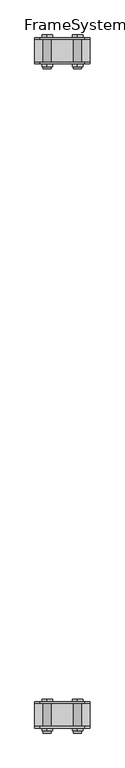
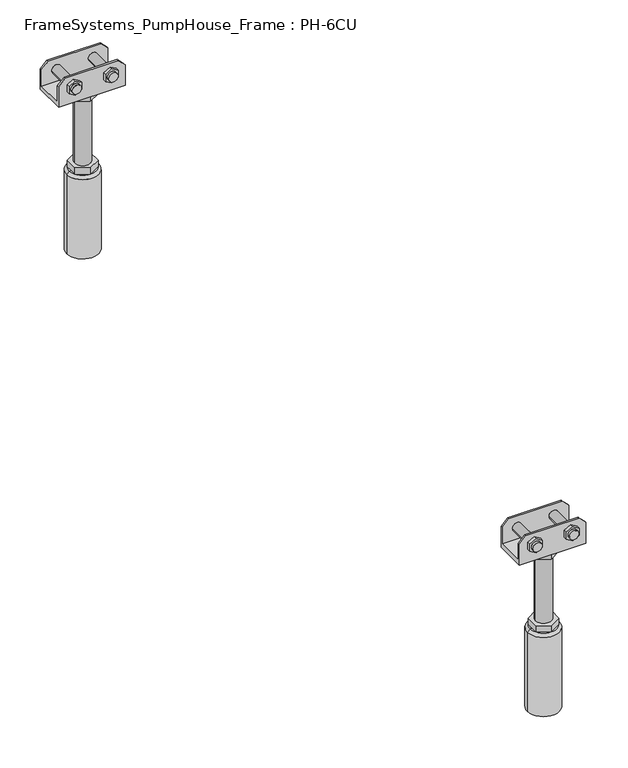
"""IFC4 building model written with IfcOpenShell, lengths in millimetres: beam geometry, FrameSystems_PumpHouse_Frame : PH-6CU."""

from ifc_helpers import new_model, si_unit, frame, origin, place, context, project, spatial, polyline, circle_curve, source, transform, mapped, element, save
from ifc_brep_helpers import plane_surface, cylinder_surface, revolved_surface, advanced_brep


def framesystems_pumphouse_frame_ph_6cu_9db55b4e(model_context):
    return source(origin(), model_context, "Body", "AdvancedBrep", [
        advanced_brep(
        [(1240.0, 1179.25, 316.0), (1250.0, 1179.25, 306.0), (1250.0, 1179.25, 280.0), (1150.0, 1179.25, 280.0), (1150.0, 1179.25, 306.0), (1160.0, 1179.25, 316.0), (1234.5, 1179.25, 299.0), (1220.5, 1179.25, 299.0), (1179.5, 1179.25, 299.0), (1165.5, 1179.25, 299.0), (1240.0, 1176.25, 316.0), (1160.0, 1176.25, 316.0), (1150.0, 1176.25, 306.0), (1150.0, 1176.25, 273.0), (1250.0, 1176.25, 273.0), (1250.0, 1176.25, 306.0), (1217.9194511, 1176.25, 293.4686675), (1217.9194511, 1176.25, 304.5313325), (1227.5, 1176.25, 310.062665), (1237.0805489, 1176.25, 304.5313325), (1237.0805489, 1176.25, 293.4686675), (1227.5, 1176.25, 287.937335), (1162.9194511, 1176.25, 293.4686675), (1162.9194511, 1176.25, 304.5313325), (1172.5, 1176.25, 310.062665), (1182.0805489, 1176.25, 304.5313325), (1182.0805489, 1176.25, 293.4686675), (1172.5, 1176.25, 287.937335), (1240.0, 1223.653247, 316.0), (1250.0, 1223.653247, 306.0), (1250.0, 1223.653247, 273.0), (1150.0, 1223.653247, 273.0), (1150.0, 1223.653247, 306.0), (1160.0, 1223.653247, 316.0), (1237.0805489, 1223.653247, 304.5313325), (1227.5, 1223.653247, 310.062665), (1217.9194511, 1223.653247, 304.5313325), (1217.9194511, 1223.653247, 293.4686675), (1227.5, 1223.653247, 287.937335), (1237.0805489, 1223.653247, 293.4686675), (1182.0805489, 1223.653247, 304.5313325), (1172.5, 1223.653247, 310.062665), (1162.9194511, 1223.653247, 304.5313325), (1162.9194511, 1223.653247, 293.4686675), (1172.5, 1223.653247, 287.937335), (1182.0805489, 1223.653247, 293.4686675), (1150.0, 1220.75, 280.0), (1150.0, 1220.75, 306.0), (1250.0, 1220.75, 280.0), (1250.0, 1220.75, 306.0), (1240.0, 1220.75, 316.0), (1160.0, 1220.75, 316.0), (1220.5, 1220.75, 299.0), (1234.5, 1220.75, 299.0), (1165.5, 1220.75, 299.0), (1179.5, 1220.75, 299.0), (1182.6794919, 1210.0, 273.0), (1182.6794919, 1190.0, 273.0), (1200.0, 1180.0, 273.0), (1217.3205081, 1190.0, 273.0), (1217.3205081, 1210.0, 273.0), (1200.0, 1220.0, 273.0), (1220.5, 1167.3051094, 299.0), (1234.5, 1167.3051094, 299.0), (1165.5, 1167.3051094, 299.0), (1179.5, 1167.3051094, 299.0), (1234.5, 1171.25, 299.0), (1220.5, 1171.25, 299.0), (1179.5, 1171.25, 299.0), (1165.5, 1171.25, 299.0), (1227.5, 1228.653247, 310.062665), (1237.0805489, 1228.653247, 304.5313325), (1237.0805489, 1228.653247, 293.4686675), (1227.5, 1228.653247, 287.937335), (1217.9194511, 1228.653247, 293.4686675), (1217.9194511, 1228.653247, 304.5313325), (1172.5, 1228.653247, 310.062665), (1182.0805489, 1228.653247, 304.5313325), (1182.0805489, 1228.653247, 293.4686675), (1172.5, 1228.653247, 287.937335), (1162.9194511, 1228.653247, 293.4686675), (1162.9194511, 1228.653247, 304.5313325), (1188.0, 1200.0, 263.0), (1188.0, 1200.0, 157.0), (1212.0, 1200.0, 157.0), (1212.0, 1200.0, 263.0), (1182.6794919, 1210.0, 263.0), (1200.0, 1220.0, 263.0), (1217.3205081, 1210.0, 263.0), (1217.3205081, 1190.0, 263.0), (1200.0, 1180.0, 263.0), (1182.6794919, 1190.0, 263.0), (1182.6794919, 1210.0, 157.0), (1182.6794919, 1190.0, 157.0), (1200.0, 1180.0, 157.0), (1217.3205081, 1190.0, 157.0), (1217.3205081, 1210.0, 157.0), (1200.0, 1220.0, 157.0), (1182.6794919, 1210.0, 147.0), (1182.6794919, 1200.0, 147.0), (1182.6794919, 1190.0, 147.0), (1200.0, 1180.0, 147.0), (1217.3205081, 1190.0, 147.0), (1217.3205081, 1200.0, 147.0), (1217.3205081, 1210.0, 147.0), (1200.0, 1220.0, 147.0), (1180.0, 1200.0, 147.0), (1220.0, 1200.0, 147.0), (1224.0, 1200.0, 143.0), (1176.0, 1200.0, 143.0), (1224.0, 1200.0, 17.0), (1176.0, 1200.0, 17.0), (1200.0, 1200.0, 17.0), (1217.9194511, 1171.25, 304.5313325), (1217.9194511, 1171.25, 293.4686675), (1227.5, 1171.25, 287.937335), (1237.0805489, 1171.25, 293.4686675), (1237.0805489, 1171.25, 304.5313325), (1227.5, 1171.25, 310.062665), (1162.9194511, 1171.25, 304.5313325), (1162.9194511, 1171.25, 293.4686675), (1172.5, 1171.25, 287.937335), (1182.0805489, 1171.25, 293.4686675), (1182.0805489, 1171.25, 304.5313325), (1172.5, 1171.25, 310.062665)],
        [
            (0, 1),
            (1, 2),
            (2, 3),
            (3, 4),
            (4, 5),
            (5, 0),
            (6, 7, circle_curve(frame((1227.5, 1179.25, 299.0), z_axis=(0.0, -1.0, 0.0), x_axis=(-1.0, 0.0, 0.0)), 7.0)),
            (7, 6, circle_curve(frame((1227.5, 1179.25, 299.0), z_axis=(0.0, -1.0, 0.0), x_axis=(-1.0, 0.0, 0.0)), 7.0)),
            (8, 9, circle_curve(frame((1172.5, 1179.25, 299.0), z_axis=(0.0, -1.0, 0.0), x_axis=(-1.0, 0.0, 0.0)), 7.0)),
            (9, 8, circle_curve(frame((1172.5, 1179.25, 299.0), z_axis=(0.0, -1.0, 0.0), x_axis=(-1.0, 0.0, 0.0)), 7.0)),
            (10, 11),
            (11, 12),
            (12, 13),
            (13, 14),
            (14, 15),
            (15, 10),
            (16, 17),
            (17, 18),
            (18, 19),
            (19, 20),
            (20, 21),
            (21, 16),
            (22, 23),
            (23, 24),
            (24, 25),
            (25, 26),
            (26, 27),
            (27, 22),
            (5, 11),
            (10, 0),
            (4, 12),
            (15, 1),
            (28, 29),
            (29, 30),
            (30, 31),
            (31, 32),
            (32, 33),
            (33, 28),
            (34, 35),
            (35, 36),
            (36, 37),
            (37, 38),
            (38, 39),
            (39, 34),
            (40, 41),
            (41, 42),
            (42, 43),
            (43, 44),
            (44, 45),
            (45, 40),
            (46, 47),
            (47, 32),
            (31, 13),
            (3, 46),
            (46, 48),
            (48, 49),
            (49, 50),
            (50, 51),
            (51, 47),
            (52, 53, circle_curve(frame((1227.5, 1220.75, 299.0), z_axis=(0.0, 1.0, 0.0), x_axis=(-1.0, 0.0, 0.0)), 7.0)),
            (53, 52, circle_curve(frame((1227.5, 1220.75, 299.0), z_axis=(0.0, 1.0, 0.0), x_axis=(-1.0, 0.0, 0.0)), 7.0)),
            (54, 55, circle_curve(frame((1172.5, 1220.75, 299.0), z_axis=(0.0, 1.0, 0.0), x_axis=(-1.0, 0.0, 0.0)), 7.0)),
            (55, 54, circle_curve(frame((1172.5, 1220.75, 299.0), z_axis=(0.0, 1.0, 0.0), x_axis=(-1.0, 0.0, 0.0)), 7.0)),
            (48, 2),
            (14, 30),
            (29, 49),
            (50, 28),
            (33, 51),
            (56, 57),
            (57, 58),
            (58, 59),
            (59, 60),
            (60, 61),
            (61, 56),
            (62, 63, circle_curve(frame((1227.5, 1167.3051094, 299.0), z_axis=(0.0, -1.0, 0.0), x_axis=(-1.0, 0.0, 0.0)), 7.0)),
            (63, 62, circle_curve(frame((1227.5, 1167.3051094, 299.0), z_axis=(0.0, -1.0, 0.0), x_axis=(-1.0, 0.0, 0.0)), 7.0)),
            (64, 65, circle_curve(frame((1172.5, 1167.3051094, 299.0), z_axis=(0.0, -1.0, 0.0), x_axis=(-1.0, 0.0, 0.0)), 7.0)),
            (65, 64, circle_curve(frame((1172.5, 1167.3051094, 299.0), z_axis=(0.0, -1.0, 0.0), x_axis=(-1.0, 0.0, 0.0)), 7.0)),
            (63, 66),
            (66, 67, circle_curve(frame((1227.5, 1171.25, 299.0), z_axis=(0.0, -1.0, 0.0), x_axis=(-1.0, 0.0, 0.0)), 7.0)),
            (67, 62),
            (6, 53),
            (52, 7),
            (67, 66, circle_curve(frame((1227.5, 1171.25, 299.0), z_axis=(0.0, -1.0, 0.0), x_axis=(-1.0, 0.0, 0.0)), 7.0)),
            (65, 68),
            (68, 69, circle_curve(frame((1172.5, 1171.25, 299.0), z_axis=(0.0, -1.0, 0.0), x_axis=(-1.0, 0.0, 0.0)), 7.0)),
            (69, 64),
            (8, 55),
            (54, 9),
            (69, 68, circle_curve(frame((1172.5, 1171.25, 299.0), z_axis=(0.0, -1.0, 0.0), x_axis=(-1.0, 0.0, 0.0)), 7.0)),
            (70, 71),
            (71, 72),
            (72, 73),
            (73, 74),
            (74, 75),
            (75, 70),
            (76, 77),
            (77, 78),
            (78, 79),
            (79, 80),
            (80, 81),
            (81, 76),
            (70, 35),
            (34, 71),
            (39, 72),
            (38, 73),
            (37, 74),
            (36, 75),
            (76, 41),
            (40, 77),
            (45, 78),
            (44, 79),
            (43, 80),
            (42, 81),
            (82, 83),
            (83, 84, circle_curve(frame((1200.0, 1200.0, 157.0), z_axis=(0.0, 0.0, 1.0), x_axis=(1.0, 0.0, 0.0)), 12.0)),
            (84, 85),
            (85, 82, circle_curve(frame((1200.0, 1200.0, 263.0), z_axis=(0.0, 0.0, -1.0), x_axis=(1.0, 0.0, 0.0)), 12.0)),
            (82, 85, circle_curve(frame((1200.0, 1200.0, 263.0), z_axis=(0.0, 0.0, -1.0), x_axis=(1.0, 0.0, 0.0)), 12.0)),
            (84, 83, circle_curve(frame((1200.0, 1200.0, 157.0), z_axis=(0.0, 0.0, 1.0), x_axis=(1.0, 0.0, 0.0)), 12.0)),
            (86, 87),
            (87, 88),
            (88, 89),
            (89, 90),
            (90, 91),
            (91, 86),
            (91, 57),
            (56, 86),
            (90, 58),
            (89, 59),
            (88, 60),
            (87, 61),
            (92, 93),
            (93, 94),
            (94, 95),
            (95, 96),
            (96, 97),
            (97, 92),
            (92, 98),
            (98, 99),
            (99, 100),
            (100, 93),
            (100, 101),
            (101, 94),
            (101, 102),
            (102, 95),
            (102, 103),
            (103, 104),
            (104, 96),
            (104, 105),
            (105, 97),
            (105, 98),
            (98, 106, circle_curve(frame((1200.0, 1200.0, 147.0), z_axis=(0.0, 0.0, 1.0), x_axis=(-1.0, 0.0, 0.0)), 20.0)),
            (106, 99),
            (105, 98, circle_curve(frame((1200.0, 1200.0, 147.0), z_axis=(0.0, 0.0, 1.0), x_axis=(-1.0, 0.0, 0.0)), 20.0)),
            (104, 105, circle_curve(frame((1200.0, 1200.0, 147.0), z_axis=(0.0, 0.0, 1.0), x_axis=(-1.0, 0.0, 0.0)), 20.0)),
            (107, 104, circle_curve(frame((1200.0, 1200.0, 147.0), z_axis=(0.0, 0.0, 1.0), x_axis=(-1.0, 0.0, 0.0)), 20.0)),
            (103, 107),
            (102, 107, circle_curve(frame((1200.0, 1200.0, 147.0), z_axis=(0.0, 0.0, 1.0), x_axis=(-1.0, 0.0, 0.0)), 20.0)),
            (101, 102, circle_curve(frame((1200.0, 1200.0, 147.0), z_axis=(0.0, 0.0, 1.0), x_axis=(-1.0, 0.0, 0.0)), 20.0)),
            (100, 101, circle_curve(frame((1200.0, 1200.0, 147.0), z_axis=(0.0, 0.0, 1.0), x_axis=(-1.0, 0.0, 0.0)), 20.0)),
            (106, 100, circle_curve(frame((1200.0, 1200.0, 147.0), z_axis=(0.0, 0.0, 1.0), x_axis=(-1.0, 0.0, 0.0)), 20.0)),
            (108, 109, circle_curve(frame((1200.0, 1200.0, 143.0), z_axis=(0.0, 0.0, 1.0), x_axis=(-1.0, 0.0, 0.0)), 24.0)),
            (109, 106),
            (107, 108),
            (109, 108, circle_curve(frame((1200.0, 1200.0, 143.0), z_axis=(0.0, 0.0, 1.0), x_axis=(-1.0, 0.0, 0.0)), 24.0)),
            (108, 110),
            (110, 111, circle_curve(frame((1200.0, 1200.0, 17.0), z_axis=(0.0, 0.0, 1.0), x_axis=(-1.0, 0.0, 0.0)), 24.0)),
            (111, 109),
            (111, 110, circle_curve(frame((1200.0, 1200.0, 17.0), z_axis=(0.0, 0.0, 1.0), x_axis=(-1.0, 0.0, 0.0)), 24.0)),
            (110, 112),
            (112, 111),
            (113, 114),
            (114, 115),
            (115, 116),
            (116, 117),
            (117, 118),
            (118, 113),
            (113, 17),
            (16, 114),
            (21, 115),
            (20, 116),
            (19, 117),
            (18, 118),
            (119, 120),
            (120, 121),
            (121, 122),
            (122, 123),
            (123, 124),
            (124, 119),
            (119, 23),
            (22, 120),
            (27, 121),
            (26, 122),
            (25, 123),
            (24, 124),
        ],
        [
            plane_surface(frame((1184.0150941, 1179.25, 316.0), z_axis=(0.0, 1.0, 0.0), x_axis=(1.0, 0.0, 0.0))),
            plane_surface(frame((1184.0150941, 1176.25, 316.0), z_axis=(0.0, -1.0, 0.0), x_axis=(-1.0, 0.0, 0.0))),
            plane_surface(frame((1240.0, 1176.25, 316.0), z_axis=(0.0, 0.0, 1.0), x_axis=(0.0, 1.0, 0.0))),
            plane_surface(frame((1160.0, 1176.25, 316.0), z_axis=(-0.7071067811865467, 0.0, 0.7071067811865485), x_axis=(0.0, 1.0, 0.0))),
            plane_surface(frame((1250.0, 1176.25, 306.0), z_axis=(0.7071067811865488, 0.0, 0.7071067811865464), x_axis=(0.0, 1.0, 0.0))),
            plane_surface(frame((1250.0, 1223.653247, 306.0), z_axis=(0.0, 1.0, 0.0), x_axis=(0.0, 0.0, -1.0))),
            plane_surface(frame((1150.0, 1223.653247, 306.0), z_axis=(-1.0, 0.0, 0.0), x_axis=(0.0, 0.0, -1.0))),
            plane_surface(frame((1150.0, 1220.75, 306.0), z_axis=(0.0, -1.0, 0.0), x_axis=(0.0, 0.0, -1.0))),
            plane_surface(frame((1250.0, 1220.75, 306.0), z_axis=(1.0, 0.0, 0.0), x_axis=(0.0, 0.0, -1.0))),
            plane_surface(frame((1160.0, 1223.75, 316.0), z_axis=(0.0, 0.0, 1.0), x_axis=(0.0, -1.0, 0.0))),
            plane_surface(frame((1150.0, 1223.75, 306.0), z_axis=(-0.7071067811865467, 0.0, 0.7071067811865485), x_axis=(0.0, -1.0, 0.0))),
            plane_surface(frame((1240.0, 1223.75, 316.0), z_axis=(0.7071067811865493, 0.0, 0.7071067811865457), x_axis=(0.0, -1.0, 0.0))),
            plane_surface(frame((1200.0, 1223.75, 280.0), z_axis=(0.0, 0.0, 1.0), x_axis=(-1.0, 0.0, 0.0))),
            plane_surface(frame((1200.0, 1223.75, 273.0), z_axis=(0.0, 0.0, -1.0), x_axis=(1.0, 0.0, 0.0))),
            plane_surface(frame((1220.5, 1167.3051094, 299.0), z_axis=(0.0, -1.0, 0.0), x_axis=(0.0, 0.0, -1.0))),
            cylinder_surface(frame((1227.5, 1167.3051094, 299.0), z_axis=(0.0, 1.0, 0.0), x_axis=(-1.0, 0.0, 0.0)), 7.0),
            cylinder_surface(frame((1172.5, 1223.653247, 299.0), z_axis=(0.0, 1.0, 0.0), x_axis=(-1.0, 0.0, 0.0)), 7.0),
            plane_surface(frame((1227.5, 1228.653247, 310.062665), z_axis=(0.0, 1.0000000000000002, 0.0), x_axis=(0.8660254037844375, 0.0, -0.5000000000000022))),
            plane_surface(frame((1227.5, 1228.653247, 310.062665), z_axis=(0.5000000000000022, 0.0, 0.8660254037844375), x_axis=(0.0, -1.0, 0.0))),
            plane_surface(frame((1237.0805489, 1228.653247, 304.5313325), z_axis=(1.0, 0.0, 0.0), x_axis=(0.0, -1.0, 0.0))),
            plane_surface(frame((1237.0805489, 1228.653247, 293.4686675), z_axis=(0.4999999999999969, 0.0, -0.8660254037844405), x_axis=(0.0, -1.0, 0.0))),
            plane_surface(frame((1227.5, 1228.653247, 287.937335), z_axis=(-0.5000000000000034, 0.0, -0.8660254037844367), x_axis=(0.0, -1.0, 0.0))),
            plane_surface(frame((1217.9194511, 1228.653247, 293.4686675), z_axis=(-1.0, 0.0, 0.0), x_axis=(0.0, -1.0, 0.0))),
            plane_surface(frame((1217.9194511, 1228.653247, 304.5313325), z_axis=(-0.49999999999999684, 0.0, 0.8660254037844405), x_axis=(0.0, -1.0, 0.0))),
            plane_surface(frame((1172.5, 1228.653247, 310.062665), z_axis=(0.5000000000000023, 0.0, 0.8660254037844374), x_axis=(0.0, -1.0, 0.0))),
            plane_surface(frame((1182.0805489, 1228.653247, 304.5313325), z_axis=(1.0, 0.0, 0.0), x_axis=(0.0, -1.0, 0.0))),
            plane_surface(frame((1182.0805489, 1228.653247, 293.4686675), z_axis=(0.4999999999999969, 0.0, -0.8660254037844405), x_axis=(0.0, -1.0, 0.0))),
            plane_surface(frame((1172.5, 1228.653247, 287.937335), z_axis=(-0.5000000000000033, 0.0, -0.8660254037844368), x_axis=(0.0, -1.0, 0.0))),
            plane_surface(frame((1162.9194511, 1228.653247, 293.4686675), z_axis=(-1.0, 0.0, 0.0), x_axis=(0.0, -1.0, 0.0))),
            plane_surface(frame((1162.9194511, 1228.653247, 304.5313325), z_axis=(-0.4999999999999967, 0.0, 0.8660254037844405), x_axis=(0.0, -1.0, 0.0))),
            cylinder_surface(frame((1200.0, 1200.0, 157.0), z_axis=(0.0, 0.0, 1.0), x_axis=(1.0, 0.0, 0.0)), 12.0),
            plane_surface(frame((1182.6794919, 1210.0, 263.0), z_axis=(0.0, 0.0, -1.0), x_axis=(0.0, 1.0, 0.0))),
            plane_surface(frame((1182.6794919, 1210.0, 273.0), z_axis=(-1.0, 0.0, 0.0), x_axis=(0.0, 0.0, -1.0))),
            plane_surface(frame((1182.6794919, 1190.0, 273.0), z_axis=(-0.5000000000000034, -0.8660254037844367, 0.0), x_axis=(0.0, 0.0, -1.0))),
            plane_surface(frame((1200.0, 1180.0, 273.0), z_axis=(0.4999999999999958, -0.8660254037844412, 0.0), x_axis=(0.0, 0.0, -1.0))),
            plane_surface(frame((1217.3205081, 1190.0, 273.0), z_axis=(1.0, 0.0, 0.0), x_axis=(0.0, 0.0, -1.0))),
            plane_surface(frame((1217.3205081, 1210.0, 273.0), z_axis=(0.5000000000000064, 0.866025403784435, 0.0), x_axis=(0.0, 0.0, -1.0))),
            plane_surface(frame((1200.0, 1220.0, 273.0), z_axis=(-0.4999999999999984, 0.8660254037844396, 0.0), x_axis=(0.0, 0.0, -1.0))),
            plane_surface(frame((1182.6794919, 1210.0, 157.0), z_axis=(0.0, 0.0, 1.0), x_axis=(0.0, -1.0, 0.0))),
            plane_surface(frame((1182.6794919, 1210.0, 157.0), z_axis=(-1.0, 0.0, 0.0), x_axis=(0.0, 0.0, -1.0))),
            plane_surface(frame((1182.6794919, 1190.0, 157.0), z_axis=(-0.5000000000000034, -0.8660254037844367, 0.0), x_axis=(0.0, 0.0, -1.0))),
            plane_surface(frame((1200.0, 1180.0, 157.0), z_axis=(0.49999999999999545, -0.8660254037844413, 0.0), x_axis=(0.0, 0.0, -1.0))),
            plane_surface(frame((1217.3205081, 1190.0, 157.0), z_axis=(1.0, 0.0, 0.0), x_axis=(0.0, 0.0, -1.0))),
            plane_surface(frame((1217.3205081, 1210.0, 157.0), z_axis=(0.5000000000000064, 0.866025403784435, 0.0), x_axis=(0.0, 0.0, -1.0))),
            plane_surface(frame((1200.0, 1220.0, 157.0), z_axis=(-0.49999999999999845, 0.8660254037844396, 0.0), x_axis=(0.0, 0.0, -1.0))),
            plane_surface(frame((1200.0, 1200.0, 147.0), z_axis=(0.0, 0.0, 1.0), x_axis=(-1.0, 0.0, 0.0))),
            revolved_surface(polyline([(1180.0, 1200.0, 147.0), (1176.0, 1200.0, 143.0)]), (1200.0, 1200.0, 172.0), (0.0, 0.0, -1.0)),
            cylinder_surface(frame((1200.0, 1200.0, 172.0), z_axis=(0.0, 0.0, -1.0), x_axis=(-1.0, 0.0, 0.0)), 24.0),
            plane_surface(frame((1200.0, 1200.0, 17.0), z_axis=(0.0, 0.0, -1.0), x_axis=(-1.0, 0.0, 0.0))),
            plane_surface(frame((1217.9194511, 1171.25, 304.5313325), z_axis=(0.0, -1.0, 0.0), x_axis=(0.0, 0.0, -1.0))),
            plane_surface(frame((1217.9194511, 1171.25, 304.5313325), z_axis=(-1.0, 0.0, 0.0), x_axis=(0.0, 1.0, 0.0))),
            plane_surface(frame((1217.9194511, 1171.25, 293.4686675), z_axis=(-0.500000000000003, 0.0, -0.866025403784437), x_axis=(0.0, 1.0, 0.0))),
            plane_surface(frame((1227.5, 1171.25, 287.937335), z_axis=(0.4999999999999972, 0.0, -0.8660254037844403), x_axis=(0.0, 1.0, 0.0))),
            plane_surface(frame((1237.0805489, 1171.25, 293.4686675), z_axis=(1.0, 0.0, 0.0), x_axis=(0.0, 1.0, 0.0))),
            plane_surface(frame((1237.0805489, 1171.25, 304.5313325), z_axis=(0.500000000000003, 0.0, 0.8660254037844369), x_axis=(0.0, 1.0, 0.0))),
            plane_surface(frame((1227.5, 1171.25, 310.062665), z_axis=(-0.49999999999999617, 0.0, 0.8660254037844409), x_axis=(0.0, 1.0, 0.0))),
            plane_surface(frame((1162.9194511, 1171.25, 304.5313325), z_axis=(0.0, -1.0, 0.0), x_axis=(0.0, 0.0, -1.0))),
            plane_surface(frame((1162.9194511, 1171.25, 304.5313325), z_axis=(-1.0, 0.0, 0.0), x_axis=(0.0, 1.0, 0.0))),
            plane_surface(frame((1162.9194511, 1171.25, 293.4686675), z_axis=(-0.5000000000000031, 0.0, -0.8660254037844368), x_axis=(0.0, 1.0, 0.0))),
            plane_surface(frame((1172.5, 1171.25, 287.937335), z_axis=(0.49999999999999717, 0.0, -0.8660254037844404), x_axis=(0.0, 1.0, 0.0))),
            plane_surface(frame((1182.0805489, 1171.25, 293.4686675), z_axis=(1.0, 0.0, 0.0), x_axis=(0.0, 1.0, 0.0))),
            plane_surface(frame((1182.0805489, 1171.25, 304.5313325), z_axis=(0.500000000000003, 0.0, 0.8660254037844369), x_axis=(0.0, 1.0, 0.0))),
            plane_surface(frame((1172.5, 1171.25, 310.062665), z_axis=(-0.4999999999999963, 0.0, 0.8660254037844408), x_axis=(0.0, 1.0, 0.0))),
        ],
        [
            (0, [[1, 2, 3, 4, 5, 6], [7, 8], [9, 10]]),
            (1, [[11, 12, 13, 14, 15, 16], [17, 18, 19, 20, 21, 22], [23, 24, 25, 26, 27, 28]]),
            (2, [[-6, 29, -11, 30]]),
            (3, [[-5, 31, -12, -29]]),
            (4, [[-1, -30, -16, 32]]),
            (5, [[33, 34, 35, 36, 37, 38], [39, 40, 41, 42, 43, 44], [45, 46, 47, 48, 49, 50]]),
            (6, [[51, 52, -36, 53, -13, -31, -4, 54]]),
            (7, [[-51, 55, 56, 57, 58, 59], [60, 61], [62, 63]]),
            (8, [[-56, 64, -2, -32, -15, 65, -34, 66]]),
            (9, [[-58, 67, -38, 68]]),
            (10, [[-59, -68, -37, -52]]),
            (11, [[-57, -66, -33, -67]]),
            (12, [[-64, -55, -54, -3]]),
            (13, [[-65, -14, -53, -35], [69, 70, 71, 72, 73, 74]]),
            (14, [[75, 76]]),
            (14, [[77, 78]]),
            (15, [[-76, 79, 80, 81]]),
            (15, [[82, -60, 83, -7]]),
            (15, [[-75, -81, 84, -79]]),
            (15, [[-82, -8, -83, -61]]),
            (16, [[-78, 85, 86, 87]]),
            (16, [[88, -62, 89, -9]]),
            (16, [[-77, -87, 90, -85]]),
            (16, [[-88, -10, -89, -63]]),
            (17, [[91, 92, 93, 94, 95, 96]]),
            (17, [[97, 98, 99, 100, 101, 102]]),
            (18, [[-91, 103, -39, 104]]),
            (19, [[-92, -104, -44, 105]]),
            (20, [[-93, -105, -43, 106]]),
            (21, [[-94, -106, -42, 107]]),
            (22, [[-95, -107, -41, 108]]),
            (23, [[-96, -108, -40, -103]]),
            (24, [[-97, 109, -45, 110]]),
            (25, [[-98, -110, -50, 111]]),
            (26, [[-99, -111, -49, 112]]),
            (27, [[-100, -112, -48, 113]]),
            (28, [[-101, -113, -47, 114]]),
            (29, [[-102, -114, -46, -109]]),
            (30, [[115, 116, 117, 118]]),
            (30, [[-115, 119, -117, 120]]),
            (31, [[121, 122, 123, 124, 125, 126], [-118, -119]]),
            (32, [[-126, 127, -69, 128]]),
            (33, [[-125, 129, -70, -127]]),
            (34, [[-124, 130, -71, -129]]),
            (35, [[-123, 131, -72, -130]]),
            (36, [[-122, 132, -73, -131]]),
            (37, [[-121, -128, -74, -132]]),
            (38, [[133, 134, 135, 136, 137, 138], [-116, -120]]),
            (39, [[-133, 139, 140, 141, 142]]),
            (40, [[-134, -142, 143, 144]]),
            (41, [[-135, -144, 145, 146]]),
            (42, [[-136, -146, 147, 148, 149]]),
            (43, [[-137, -149, 150, 151]]),
            (44, [[-138, -151, 152, -139]]),
            (45, [[153, 154, -140]]),
            (45, [[155, -152]]),
            (45, [[156, -150]]),
            (45, [[157, -148, 158]]),
            (45, [[159, -158, -147]]),
            (45, [[160, -145]]),
            (45, [[161, -143]]),
            (45, [[162, -141, -154]]),
            (46, [[163, 164, -153, -155, -156, -157, 165]]),
            (46, [[-164, 166, -165, -159, -160, -161, -162]]),
            (47, [[-163, 167, 168, 169]]),
            (47, [[-166, -169, 170, -167]]),
            (48, [[-168, 171, 172]]),
            (48, [[-170, -172, -171]]),
            (49, [[173, 174, 175, 176, 177, 178], [-80, -84]]),
            (50, [[-173, 179, -17, 180]]),
            (51, [[-174, -180, -22, 181]]),
            (52, [[-175, -181, -21, 182]]),
            (53, [[-176, -182, -20, 183]]),
            (54, [[-177, -183, -19, 184]]),
            (55, [[-178, -184, -18, -179]]),
            (56, [[185, 186, 187, 188, 189, 190], [-86, -90]]),
            (57, [[-185, 191, -23, 192]]),
            (58, [[-186, -192, -28, 193]]),
            (59, [[-187, -193, -27, 194]]),
            (60, [[-188, -194, -26, 195]]),
            (61, [[-189, -195, -25, 196]]),
            (62, [[-190, -196, -24, -191]]),
        ],
    ),
        advanced_brep(
        [(1240.0, -20.75, 316.0), (1250.0, -20.75, 306.0), (1250.0, -20.75, 280.0), (1150.0, -20.75, 280.0), (1150.0, -20.75, 306.0), (1160.0, -20.75, 316.0), (1234.5, -20.75, 299.0), (1220.5, -20.75, 299.0), (1179.5, -20.75, 299.0), (1165.5, -20.75, 299.0), (1240.0, -23.75, 316.0), (1160.0, -23.75, 316.0), (1150.0, -23.75, 306.0), (1150.0, -23.75, 273.0), (1250.0, -23.75, 273.0), (1250.0, -23.75, 306.0), (1217.9194511, -23.75, 293.4686675), (1217.9194511, -23.75, 304.5313325), (1227.5, -23.75, 310.062665), (1237.0805489, -23.75, 304.5313325), (1237.0805489, -23.75, 293.4686675), (1227.5, -23.75, 287.937335), (1162.9194511, -23.75, 293.4686675), (1162.9194511, -23.75, 304.5313325), (1172.5, -23.75, 310.062665), (1182.0805489, -23.75, 304.5313325), (1182.0805489, -23.75, 293.4686675), (1172.5, -23.75, 287.937335), (1240.0, 23.653247, 316.0), (1250.0, 23.653247, 306.0), (1250.0, 23.653247, 273.0), (1150.0, 23.653247, 273.0), (1150.0, 23.653247, 306.0), (1160.0, 23.653247, 316.0), (1237.0805489, 23.653247, 304.5313325), (1227.5, 23.653247, 310.062665), (1217.9194511, 23.653247, 304.5313325), (1217.9194511, 23.653247, 293.4686675), (1227.5, 23.653247, 287.937335), (1237.0805489, 23.653247, 293.4686675), (1182.0805489, 23.653247, 304.5313325), (1172.5, 23.653247, 310.062665), (1162.9194511, 23.653247, 304.5313325), (1162.9194511, 23.653247, 293.4686675), (1172.5, 23.653247, 287.937335), (1182.0805489, 23.653247, 293.4686675), (1150.0, 20.75, 280.0), (1150.0, 20.75, 306.0), (1250.0, 20.75, 280.0), (1250.0, 20.75, 306.0), (1240.0, 20.75, 316.0), (1160.0, 20.75, 316.0), (1220.5, 20.75, 299.0), (1234.5, 20.75, 299.0), (1165.5, 20.75, 299.0), (1179.5, 20.75, 299.0), (1182.6794919, 10.0, 273.0), (1182.6794919, -10.0, 273.0), (1200.0, -20.0, 273.0), (1217.3205081, -10.0, 273.0), (1217.3205081, 10.0, 273.0), (1200.0, 20.0, 273.0), (1220.5, -32.6948906, 299.0), (1234.5, -32.6948906, 299.0), (1165.5, -32.6948906, 299.0), (1179.5, -32.6948906, 299.0), (1234.5, -28.75, 299.0), (1220.5, -28.75, 299.0), (1179.5, -28.75, 299.0), (1165.5, -28.75, 299.0), (1227.5, 28.653247, 310.062665), (1237.0805489, 28.653247, 304.5313325), (1237.0805489, 28.653247, 293.4686675), (1227.5, 28.653247, 287.937335), (1217.9194511, 28.653247, 293.4686675), (1217.9194511, 28.653247, 304.5313325), (1172.5, 28.653247, 310.062665), (1182.0805489, 28.653247, 304.5313325), (1182.0805489, 28.653247, 293.4686675), (1172.5, 28.653247, 287.937335), (1162.9194511, 28.653247, 293.4686675), (1162.9194511, 28.653247, 304.5313325), (1188.0, 0.0, 263.0), (1188.0, 0.0, 157.0), (1212.0, 0.0, 157.0), (1212.0, 0.0, 263.0), (1182.6794919, 10.0, 263.0), (1200.0, 20.0, 263.0), (1217.3205081, 10.0, 263.0), (1217.3205081, -10.0, 263.0), (1200.0, -20.0, 263.0), (1182.6794919, -10.0, 263.0), (1182.6794919, 10.0, 157.0), (1182.6794919, -10.0, 157.0), (1200.0, -20.0, 157.0), (1217.3205081, -10.0, 157.0), (1217.3205081, 10.0, 157.0), (1200.0, 20.0, 157.0), (1182.6794919, 10.0, 147.0), (1182.6794919, 0.0, 147.0), (1182.6794919, -10.0, 147.0), (1200.0, -20.0, 147.0), (1217.3205081, -10.0, 147.0), (1217.3205081, 0.0, 147.0), (1217.3205081, 10.0, 147.0), (1200.0, 20.0, 147.0), (1180.0, 0.0, 147.0), (1220.0, 0.0, 147.0), (1224.0, 0.0, 143.0), (1176.0, 0.0, 143.0), (1224.0, 0.0, 17.0), (1176.0, 0.0, 17.0), (1200.0, 0.0, 17.0), (1217.9194511, -28.75, 304.5313325), (1217.9194511, -28.75, 293.4686675), (1227.5, -28.75, 287.937335), (1237.0805489, -28.75, 293.4686675), (1237.0805489, -28.75, 304.5313325), (1227.5, -28.75, 310.062665), (1162.9194511, -28.75, 304.5313325), (1162.9194511, -28.75, 293.4686675), (1172.5, -28.75, 287.937335), (1182.0805489, -28.75, 293.4686675), (1182.0805489, -28.75, 304.5313325), (1172.5, -28.75, 310.062665)],
        [
            (0, 1),
            (1, 2),
            (2, 3),
            (3, 4),
            (4, 5),
            (5, 0),
            (6, 7, circle_curve(frame((1227.5, -20.75, 299.0), z_axis=(0.0, -1.0, 0.0), x_axis=(-1.0, 0.0, 0.0)), 7.0)),
            (7, 6, circle_curve(frame((1227.5, -20.75, 299.0), z_axis=(0.0, -1.0, 0.0), x_axis=(-1.0, 0.0, 0.0)), 7.0)),
            (8, 9, circle_curve(frame((1172.5, -20.75, 299.0), z_axis=(0.0, -1.0, 0.0), x_axis=(-1.0, 0.0, 0.0)), 7.0)),
            (9, 8, circle_curve(frame((1172.5, -20.75, 299.0), z_axis=(0.0, -1.0, 0.0), x_axis=(-1.0, 0.0, 0.0)), 7.0)),
            (10, 11),
            (11, 12),
            (12, 13),
            (13, 14),
            (14, 15),
            (15, 10),
            (16, 17),
            (17, 18),
            (18, 19),
            (19, 20),
            (20, 21),
            (21, 16),
            (22, 23),
            (23, 24),
            (24, 25),
            (25, 26),
            (26, 27),
            (27, 22),
            (5, 11),
            (10, 0),
            (4, 12),
            (15, 1),
            (28, 29),
            (29, 30),
            (30, 31),
            (31, 32),
            (32, 33),
            (33, 28),
            (34, 35),
            (35, 36),
            (36, 37),
            (37, 38),
            (38, 39),
            (39, 34),
            (40, 41),
            (41, 42),
            (42, 43),
            (43, 44),
            (44, 45),
            (45, 40),
            (46, 47),
            (47, 32),
            (31, 13),
            (3, 46),
            (46, 48),
            (48, 49),
            (49, 50),
            (50, 51),
            (51, 47),
            (52, 53, circle_curve(frame((1227.5, 20.75, 299.0), z_axis=(0.0, 1.0, 0.0), x_axis=(-1.0, 0.0, 0.0)), 7.0)),
            (53, 52, circle_curve(frame((1227.5, 20.75, 299.0), z_axis=(0.0, 1.0, 0.0), x_axis=(-1.0, 0.0, 0.0)), 7.0)),
            (54, 55, circle_curve(frame((1172.5, 20.75, 299.0), z_axis=(0.0, 1.0, 0.0), x_axis=(-1.0, 0.0, 0.0)), 7.0)),
            (55, 54, circle_curve(frame((1172.5, 20.75, 299.0), z_axis=(0.0, 1.0, 0.0), x_axis=(-1.0, 0.0, 0.0)), 7.0)),
            (48, 2),
            (14, 30),
            (29, 49),
            (50, 28),
            (33, 51),
            (56, 57),
            (57, 58),
            (58, 59),
            (59, 60),
            (60, 61),
            (61, 56),
            (62, 63, circle_curve(frame((1227.5, -32.6948906, 299.0), z_axis=(0.0, -1.0, 0.0), x_axis=(-1.0, 0.0, 0.0)), 7.0)),
            (63, 62, circle_curve(frame((1227.5, -32.6948906, 299.0), z_axis=(0.0, -1.0, 0.0), x_axis=(-1.0, 0.0, 0.0)), 7.0)),
            (64, 65, circle_curve(frame((1172.5, -32.6948906, 299.0), z_axis=(0.0, -1.0, 0.0), x_axis=(-1.0, 0.0, 0.0)), 7.0)),
            (65, 64, circle_curve(frame((1172.5, -32.6948906, 299.0), z_axis=(0.0, -1.0, 0.0), x_axis=(-1.0, 0.0, 0.0)), 7.0)),
            (63, 66),
            (66, 67, circle_curve(frame((1227.5, -28.75, 299.0), z_axis=(0.0, -1.0, 0.0), x_axis=(-1.0, 0.0, 0.0)), 7.0)),
            (67, 62),
            (6, 53),
            (52, 7),
            (67, 66, circle_curve(frame((1227.5, -28.75, 299.0), z_axis=(0.0, -1.0, 0.0), x_axis=(-1.0, 0.0, 0.0)), 7.0)),
            (65, 68),
            (68, 69, circle_curve(frame((1172.5, -28.75, 299.0), z_axis=(0.0, -1.0, 0.0), x_axis=(-1.0, 0.0, 0.0)), 7.0)),
            (69, 64),
            (8, 55),
            (54, 9),
            (69, 68, circle_curve(frame((1172.5, -28.75, 299.0), z_axis=(0.0, -1.0, 0.0), x_axis=(-1.0, 0.0, 0.0)), 7.0)),
            (70, 71),
            (71, 72),
            (72, 73),
            (73, 74),
            (74, 75),
            (75, 70),
            (76, 77),
            (77, 78),
            (78, 79),
            (79, 80),
            (80, 81),
            (81, 76),
            (70, 35),
            (34, 71),
            (39, 72),
            (38, 73),
            (37, 74),
            (36, 75),
            (76, 41),
            (40, 77),
            (45, 78),
            (44, 79),
            (43, 80),
            (42, 81),
            (82, 83),
            (83, 84, circle_curve(frame((1200.0, 0.0, 157.0), z_axis=(0.0, 0.0, 1.0), x_axis=(1.0, 0.0, 0.0)), 12.0)),
            (84, 85),
            (85, 82, circle_curve(frame((1200.0, 0.0, 263.0), z_axis=(0.0, 0.0, -1.0), x_axis=(1.0, 0.0, 0.0)), 12.0)),
            (82, 85, circle_curve(frame((1200.0, 0.0, 263.0), z_axis=(0.0, 0.0, -1.0), x_axis=(1.0, 0.0, 0.0)), 12.0)),
            (84, 83, circle_curve(frame((1200.0, 0.0, 157.0), z_axis=(0.0, 0.0, 1.0), x_axis=(1.0, 0.0, 0.0)), 12.0)),
            (86, 87),
            (87, 88),
            (88, 89),
            (89, 90),
            (90, 91),
            (91, 86),
            (91, 57),
            (56, 86),
            (90, 58),
            (89, 59),
            (88, 60),
            (87, 61),
            (92, 93),
            (93, 94),
            (94, 95),
            (95, 96),
            (96, 97),
            (97, 92),
            (92, 98),
            (98, 99),
            (99, 100),
            (100, 93),
            (100, 101),
            (101, 94),
            (101, 102),
            (102, 95),
            (102, 103),
            (103, 104),
            (104, 96),
            (104, 105),
            (105, 97),
            (105, 98),
            (98, 106, circle_curve(frame((1200.0, 0.0, 147.0), z_axis=(0.0, 0.0, 1.0), x_axis=(-1.0, 0.0, 0.0)), 20.0)),
            (106, 99),
            (105, 98, circle_curve(frame((1200.0, 0.0, 147.0), z_axis=(0.0, 0.0, 1.0), x_axis=(-1.0, 0.0, 0.0)), 20.0)),
            (104, 105, circle_curve(frame((1200.0, 0.0, 147.0), z_axis=(0.0, 0.0, 1.0), x_axis=(-1.0, 0.0, 0.0)), 20.0)),
            (107, 104, circle_curve(frame((1200.0, 0.0, 147.0), z_axis=(0.0, 0.0, 1.0), x_axis=(-1.0, 0.0, 0.0)), 20.0)),
            (103, 107),
            (102, 107, circle_curve(frame((1200.0, 0.0, 147.0), z_axis=(0.0, 0.0, 1.0), x_axis=(-1.0, 0.0, 0.0)), 20.0)),
            (101, 102, circle_curve(frame((1200.0, 0.0, 147.0), z_axis=(0.0, 0.0, 1.0), x_axis=(-1.0, 0.0, 0.0)), 20.0)),
            (100, 101, circle_curve(frame((1200.0, 0.0, 147.0), z_axis=(0.0, 0.0, 1.0), x_axis=(-1.0, 0.0, 0.0)), 20.0)),
            (106, 100, circle_curve(frame((1200.0, 0.0, 147.0), z_axis=(0.0, 0.0, 1.0), x_axis=(-1.0, 0.0, 0.0)), 20.0)),
            (108, 109, circle_curve(frame((1200.0, 0.0, 143.0), z_axis=(0.0, 0.0, 1.0), x_axis=(-1.0, 0.0, 0.0)), 24.0)),
            (109, 106),
            (107, 108),
            (109, 108, circle_curve(frame((1200.0, 0.0, 143.0), z_axis=(0.0, 0.0, 1.0), x_axis=(-1.0, 0.0, 0.0)), 24.0)),
            (108, 110),
            (110, 111, circle_curve(frame((1200.0, 0.0, 17.0), z_axis=(0.0, 0.0, 1.0), x_axis=(-1.0, 0.0, 0.0)), 24.0)),
            (111, 109),
            (111, 110, circle_curve(frame((1200.0, 0.0, 17.0), z_axis=(0.0, 0.0, 1.0), x_axis=(-1.0, 0.0, 0.0)), 24.0)),
            (110, 112),
            (112, 111),
            (113, 114),
            (114, 115),
            (115, 116),
            (116, 117),
            (117, 118),
            (118, 113),
            (113, 17),
            (16, 114),
            (21, 115),
            (20, 116),
            (19, 117),
            (18, 118),
            (119, 120),
            (120, 121),
            (121, 122),
            (122, 123),
            (123, 124),
            (124, 119),
            (119, 23),
            (22, 120),
            (27, 121),
            (26, 122),
            (25, 123),
            (24, 124),
        ],
        [
            plane_surface(frame((1184.0150941, -20.75, 316.0), z_axis=(0.0, 1.0, 0.0), x_axis=(1.0, 0.0, 0.0))),
            plane_surface(frame((1184.0150941, -23.75, 316.0), z_axis=(0.0, -1.0, 0.0), x_axis=(-1.0, 0.0, 0.0))),
            plane_surface(frame((1240.0, -23.75, 316.0), z_axis=(0.0, 0.0, 1.0), x_axis=(0.0, 1.0, 0.0))),
            plane_surface(frame((1160.0, -23.75, 316.0), z_axis=(-0.7071067811865467, 0.0, 0.7071067811865485), x_axis=(0.0, 1.0, 0.0))),
            plane_surface(frame((1250.0, -23.75, 306.0), z_axis=(0.7071067811865488, 0.0, 0.7071067811865464), x_axis=(0.0, 1.0, 0.0))),
            plane_surface(frame((1250.0, 23.653247, 306.0), z_axis=(0.0, 1.0, 0.0), x_axis=(0.0, 0.0, -1.0))),
            plane_surface(frame((1150.0, 23.653247, 306.0), z_axis=(-1.0, 0.0, 0.0), x_axis=(0.0, 0.0, -1.0))),
            plane_surface(frame((1150.0, 20.75, 306.0), z_axis=(0.0, -1.0, 0.0), x_axis=(0.0, 0.0, -1.0))),
            plane_surface(frame((1250.0, 20.75, 306.0), z_axis=(1.0, 0.0, 0.0), x_axis=(0.0, 0.0, -1.0))),
            plane_surface(frame((1160.0, 23.75, 316.0), z_axis=(0.0, 0.0, 1.0), x_axis=(0.0, -1.0, 0.0))),
            plane_surface(frame((1150.0, 23.75, 306.0), z_axis=(-0.7071067811865467, 0.0, 0.7071067811865485), x_axis=(0.0, -1.0, 0.0))),
            plane_surface(frame((1240.0, 23.75, 316.0), z_axis=(0.7071067811865493, 0.0, 0.7071067811865457), x_axis=(0.0, -1.0, 0.0))),
            plane_surface(frame((1200.0, 23.75, 280.0), z_axis=(0.0, 0.0, 1.0), x_axis=(-1.0, 0.0, 0.0))),
            plane_surface(frame((1200.0, 23.75, 273.0), z_axis=(0.0, 0.0, -1.0), x_axis=(1.0, 0.0, 0.0))),
            plane_surface(frame((1220.5, -32.6948906, 299.0), z_axis=(0.0, -1.0, 0.0), x_axis=(0.0, 0.0, -1.0))),
            cylinder_surface(frame((1227.5, -32.6948906, 299.0), z_axis=(0.0, 1.0, 0.0), x_axis=(-1.0, 0.0, 0.0)), 7.0),
            cylinder_surface(frame((1172.5, 23.653247, 299.0), z_axis=(0.0, 1.0, 0.0), x_axis=(-1.0, 0.0, 0.0)), 7.0),
            plane_surface(frame((1227.5, 28.653247, 310.062665), z_axis=(0.0, 1.0000000000000002, 0.0), x_axis=(0.8660254037844375, 0.0, -0.5000000000000022))),
            plane_surface(frame((1227.5, 28.653247, 310.062665), z_axis=(0.5000000000000022, 0.0, 0.8660254037844375), x_axis=(0.0, -1.0, 0.0))),
            plane_surface(frame((1237.0805489, 28.653247, 304.5313325), z_axis=(1.0, 0.0, 0.0), x_axis=(0.0, -1.0, 0.0))),
            plane_surface(frame((1237.0805489, 28.653247, 293.4686675), z_axis=(0.4999999999999969, 0.0, -0.8660254037844405), x_axis=(0.0, -1.0, 0.0))),
            plane_surface(frame((1227.5, 28.653247, 287.937335), z_axis=(-0.5000000000000034, 0.0, -0.8660254037844367), x_axis=(0.0, -1.0, 0.0))),
            plane_surface(frame((1217.9194511, 28.653247, 293.4686675), z_axis=(-1.0, 0.0, 0.0), x_axis=(0.0, -1.0, 0.0))),
            plane_surface(frame((1217.9194511, 28.653247, 304.5313325), z_axis=(-0.49999999999999684, 0.0, 0.8660254037844405), x_axis=(0.0, -1.0, 0.0))),
            plane_surface(frame((1172.5, 28.653247, 310.062665), z_axis=(0.5000000000000023, 0.0, 0.8660254037844374), x_axis=(0.0, -1.0, 0.0))),
            plane_surface(frame((1182.0805489, 28.653247, 304.5313325), z_axis=(1.0, 0.0, 0.0), x_axis=(0.0, -1.0, 0.0))),
            plane_surface(frame((1182.0805489, 28.653247, 293.4686675), z_axis=(0.4999999999999969, 0.0, -0.8660254037844405), x_axis=(0.0, -1.0, 0.0))),
            plane_surface(frame((1172.5, 28.653247, 287.937335), z_axis=(-0.5000000000000033, 0.0, -0.8660254037844368), x_axis=(0.0, -1.0, 0.0))),
            plane_surface(frame((1162.9194511, 28.653247, 293.4686675), z_axis=(-1.0, 0.0, 0.0), x_axis=(0.0, -1.0, 0.0))),
            plane_surface(frame((1162.9194511, 28.653247, 304.5313325), z_axis=(-0.4999999999999967, 0.0, 0.8660254037844405), x_axis=(0.0, -1.0, 0.0))),
            cylinder_surface(frame((1200.0, 0.0, 157.0), z_axis=(0.0, 0.0, 1.0), x_axis=(1.0, 0.0, 0.0)), 12.0),
            plane_surface(frame((1182.6794919, 10.0, 263.0), z_axis=(0.0, 0.0, -1.0), x_axis=(0.0, 1.0, 0.0))),
            plane_surface(frame((1182.6794919, 10.0, 273.0), z_axis=(-1.0, 0.0, 0.0), x_axis=(0.0, 0.0, -1.0))),
            plane_surface(frame((1182.6794919, -10.0, 273.0), z_axis=(-0.5000000000000034, -0.8660254037844367, 0.0), x_axis=(0.0, 0.0, -1.0))),
            plane_surface(frame((1200.0, -20.0, 273.0), z_axis=(0.4999999999999958, -0.8660254037844412, 0.0), x_axis=(0.0, 0.0, -1.0))),
            plane_surface(frame((1217.3205081, -10.0, 273.0), z_axis=(1.0, 0.0, 0.0), x_axis=(0.0, 0.0, -1.0))),
            plane_surface(frame((1217.3205081, 10.0, 273.0), z_axis=(0.5000000000000064, 0.866025403784435, 0.0), x_axis=(0.0, 0.0, -1.0))),
            plane_surface(frame((1200.0, 20.0, 273.0), z_axis=(-0.4999999999999984, 0.8660254037844396, 0.0), x_axis=(0.0, 0.0, -1.0))),
            plane_surface(frame((1182.6794919, 10.0, 157.0), z_axis=(0.0, 0.0, 1.0), x_axis=(0.0, -1.0, 0.0))),
            plane_surface(frame((1182.6794919, 10.0, 157.0), z_axis=(-1.0, 0.0, 0.0), x_axis=(0.0, 0.0, -1.0))),
            plane_surface(frame((1182.6794919, -10.0, 157.0), z_axis=(-0.5000000000000034, -0.8660254037844367, 0.0), x_axis=(0.0, 0.0, -1.0))),
            plane_surface(frame((1200.0, -20.0, 157.0), z_axis=(0.49999999999999545, -0.8660254037844413, 0.0), x_axis=(0.0, 0.0, -1.0))),
            plane_surface(frame((1217.3205081, -10.0, 157.0), z_axis=(1.0, 0.0, 0.0), x_axis=(0.0, 0.0, -1.0))),
            plane_surface(frame((1217.3205081, 10.0, 157.0), z_axis=(0.5000000000000064, 0.866025403784435, 0.0), x_axis=(0.0, 0.0, -1.0))),
            plane_surface(frame((1200.0, 20.0, 157.0), z_axis=(-0.49999999999999845, 0.8660254037844396, 0.0), x_axis=(0.0, 0.0, -1.0))),
            plane_surface(frame((1200.0, 0.0, 147.0), z_axis=(0.0, 0.0, 1.0), x_axis=(-1.0, 0.0, 0.0))),
            revolved_surface(polyline([(1180.0, 0.0, 147.0), (1176.0, 0.0, 143.0)]), (1200.0, 0.0, 172.0), (0.0, 0.0, -1.0)),
            cylinder_surface(frame((1200.0, 0.0, 172.0), z_axis=(0.0, 0.0, -1.0), x_axis=(-1.0, 0.0, 0.0)), 24.0),
            plane_surface(frame((1200.0, 0.0, 17.0), z_axis=(0.0, 0.0, -1.0), x_axis=(-1.0, 0.0, 0.0))),
            plane_surface(frame((1217.9194511, -28.75, 304.5313325), z_axis=(0.0, -1.0, 0.0), x_axis=(0.0, 0.0, -1.0))),
            plane_surface(frame((1217.9194511, -28.75, 304.5313325), z_axis=(-1.0, 0.0, 0.0), x_axis=(0.0, 1.0, 0.0))),
            plane_surface(frame((1217.9194511, -28.75, 293.4686675), z_axis=(-0.500000000000003, 0.0, -0.866025403784437), x_axis=(0.0, 1.0, 0.0))),
            plane_surface(frame((1227.5, -28.75, 287.937335), z_axis=(0.4999999999999972, 0.0, -0.8660254037844403), x_axis=(0.0, 1.0, 0.0))),
            plane_surface(frame((1237.0805489, -28.75, 293.4686675), z_axis=(1.0, 0.0, 0.0), x_axis=(0.0, 1.0, 0.0))),
            plane_surface(frame((1237.0805489, -28.75, 304.5313325), z_axis=(0.500000000000003, 0.0, 0.8660254037844369), x_axis=(0.0, 1.0, 0.0))),
            plane_surface(frame((1227.5, -28.75, 310.062665), z_axis=(-0.49999999999999617, 0.0, 0.8660254037844409), x_axis=(0.0, 1.0, 0.0))),
            plane_surface(frame((1162.9194511, -28.75, 304.5313325), z_axis=(0.0, -1.0, 0.0), x_axis=(0.0, 0.0, -1.0))),
            plane_surface(frame((1162.9194511, -28.75, 304.5313325), z_axis=(-1.0, 0.0, 0.0), x_axis=(0.0, 1.0, 0.0))),
            plane_surface(frame((1162.9194511, -28.75, 293.4686675), z_axis=(-0.5000000000000031, 0.0, -0.8660254037844368), x_axis=(0.0, 1.0, 0.0))),
            plane_surface(frame((1172.5, -28.75, 287.937335), z_axis=(0.49999999999999717, 0.0, -0.8660254037844404), x_axis=(0.0, 1.0, 0.0))),
            plane_surface(frame((1182.0805489, -28.75, 293.4686675), z_axis=(1.0, 0.0, 0.0), x_axis=(0.0, 1.0, 0.0))),
            plane_surface(frame((1182.0805489, -28.75, 304.5313325), z_axis=(0.500000000000003, 0.0, 0.8660254037844369), x_axis=(0.0, 1.0, 0.0))),
            plane_surface(frame((1172.5, -28.75, 310.062665), z_axis=(-0.4999999999999963, 0.0, 0.8660254037844408), x_axis=(0.0, 1.0, 0.0))),
        ],
        [
            (0, [[1, 2, 3, 4, 5, 6], [7, 8], [9, 10]]),
            (1, [[11, 12, 13, 14, 15, 16], [17, 18, 19, 20, 21, 22], [23, 24, 25, 26, 27, 28]]),
            (2, [[-6, 29, -11, 30]]),
            (3, [[-5, 31, -12, -29]]),
            (4, [[-1, -30, -16, 32]]),
            (5, [[33, 34, 35, 36, 37, 38], [39, 40, 41, 42, 43, 44], [45, 46, 47, 48, 49, 50]]),
            (6, [[51, 52, -36, 53, -13, -31, -4, 54]]),
            (7, [[-51, 55, 56, 57, 58, 59], [60, 61], [62, 63]]),
            (8, [[-56, 64, -2, -32, -15, 65, -34, 66]]),
            (9, [[-58, 67, -38, 68]]),
            (10, [[-59, -68, -37, -52]]),
            (11, [[-57, -66, -33, -67]]),
            (12, [[-64, -55, -54, -3]]),
            (13, [[-65, -14, -53, -35], [69, 70, 71, 72, 73, 74]]),
            (14, [[75, 76]]),
            (14, [[77, 78]]),
            (15, [[-76, 79, 80, 81]]),
            (15, [[82, -60, 83, -7]]),
            (15, [[-75, -81, 84, -79]]),
            (15, [[-82, -8, -83, -61]]),
            (16, [[-78, 85, 86, 87]]),
            (16, [[88, -62, 89, -9]]),
            (16, [[-77, -87, 90, -85]]),
            (16, [[-88, -10, -89, -63]]),
            (17, [[91, 92, 93, 94, 95, 96]]),
            (17, [[97, 98, 99, 100, 101, 102]]),
            (18, [[-91, 103, -39, 104]]),
            (19, [[-92, -104, -44, 105]]),
            (20, [[-93, -105, -43, 106]]),
            (21, [[-94, -106, -42, 107]]),
            (22, [[-95, -107, -41, 108]]),
            (23, [[-96, -108, -40, -103]]),
            (24, [[-97, 109, -45, 110]]),
            (25, [[-98, -110, -50, 111]]),
            (26, [[-99, -111, -49, 112]]),
            (27, [[-100, -112, -48, 113]]),
            (28, [[-101, -113, -47, 114]]),
            (29, [[-102, -114, -46, -109]]),
            (30, [[115, 116, 117, 118]]),
            (30, [[-115, 119, -117, 120]]),
            (31, [[121, 122, 123, 124, 125, 126], [-118, -119]]),
            (32, [[-126, 127, -69, 128]]),
            (33, [[-125, 129, -70, -127]]),
            (34, [[-124, 130, -71, -129]]),
            (35, [[-123, 131, -72, -130]]),
            (36, [[-122, 132, -73, -131]]),
            (37, [[-121, -128, -74, -132]]),
            (38, [[133, 134, 135, 136, 137, 138], [-116, -120]]),
            (39, [[-133, 139, 140, 141, 142]]),
            (40, [[-134, -142, 143, 144]]),
            (41, [[-135, -144, 145, 146]]),
            (42, [[-136, -146, 147, 148, 149]]),
            (43, [[-137, -149, 150, 151]]),
            (44, [[-138, -151, 152, -139]]),
            (45, [[153, 154, -140]]),
            (45, [[155, -152]]),
            (45, [[156, -150]]),
            (45, [[157, -148, 158]]),
            (45, [[159, -158, -147]]),
            (45, [[160, -145]]),
            (45, [[161, -143]]),
            (45, [[162, -141, -154]]),
            (46, [[163, 164, -153, -155, -156, -157, 165]]),
            (46, [[-164, 166, -165, -159, -160, -161, -162]]),
            (47, [[-163, 167, 168, 169]]),
            (47, [[-166, -169, 170, -167]]),
            (48, [[-168, 171, 172]]),
            (48, [[-170, -172, -171]]),
            (49, [[173, 174, 175, 176, 177, 178], [-80, -84]]),
            (50, [[-173, 179, -17, 180]]),
            (51, [[-174, -180, -22, 181]]),
            (52, [[-175, -181, -21, 182]]),
            (53, [[-176, -182, -20, 183]]),
            (54, [[-177, -183, -19, 184]]),
            (55, [[-178, -184, -18, -179]]),
            (56, [[185, 186, 187, 188, 189, 190], [-86, -90]]),
            (57, [[-185, 191, -23, 192]]),
            (58, [[-186, -192, -28, 193]]),
            (59, [[-187, -193, -27, 194]]),
            (60, [[-188, -194, -26, 195]]),
            (61, [[-189, -195, -25, 196]]),
            (62, [[-190, -196, -24, -191]]),
        ],
    ),
    ])


if __name__ == "__main__":
    model = new_model("IFC4")
    model_context = context("Model", 3, world=origin())
    ifc_project = project(units=[si_unit("LENGTHUNIT", "METRE", prefix="MILLI")], contexts=[model_context])
    site = spatial("IfcSite", under=ifc_project)
    building = spatial("IfcBuilding", under=site)
    placement = place(None, origin())
    framesystems_pumphouse_frame_ph_6cu_shape = framesystems_pumphouse_frame_ph_6cu_9db55b4e(model_context)
    element("IfcBeam", 1, ObjectType="FrameSystems_PumpHouse_Frame : PH-6CU", at=placement, inside=building, context=model_context, shape_type="MappedRepresentation", body=[
        mapped(framesystems_pumphouse_frame_ph_6cu_shape, transform((0.0, 0.0, 0.0), x_axis=(1.0, 0.0, 0.0), y_axis=(0.0, 1.0, 0.0), z_axis=(0.0, 0.0, 1.0))),
    ])
    save(model, "model.ifc")
